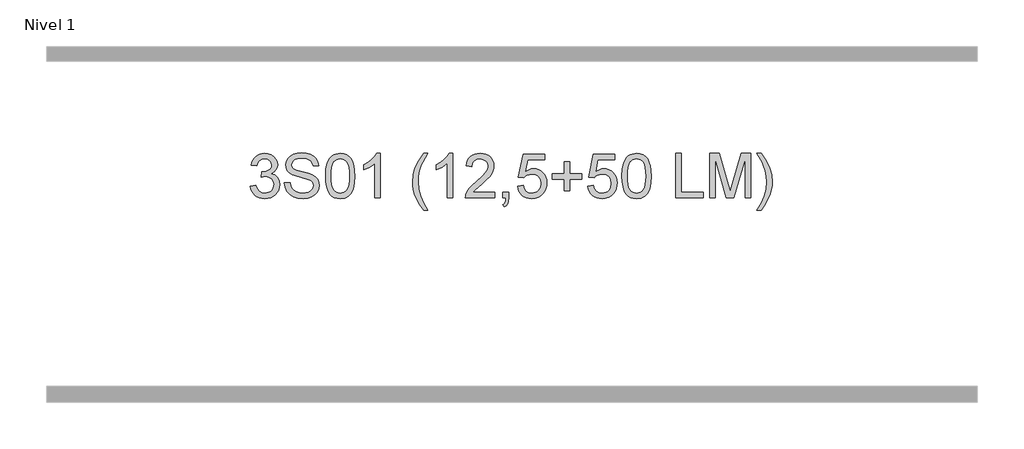
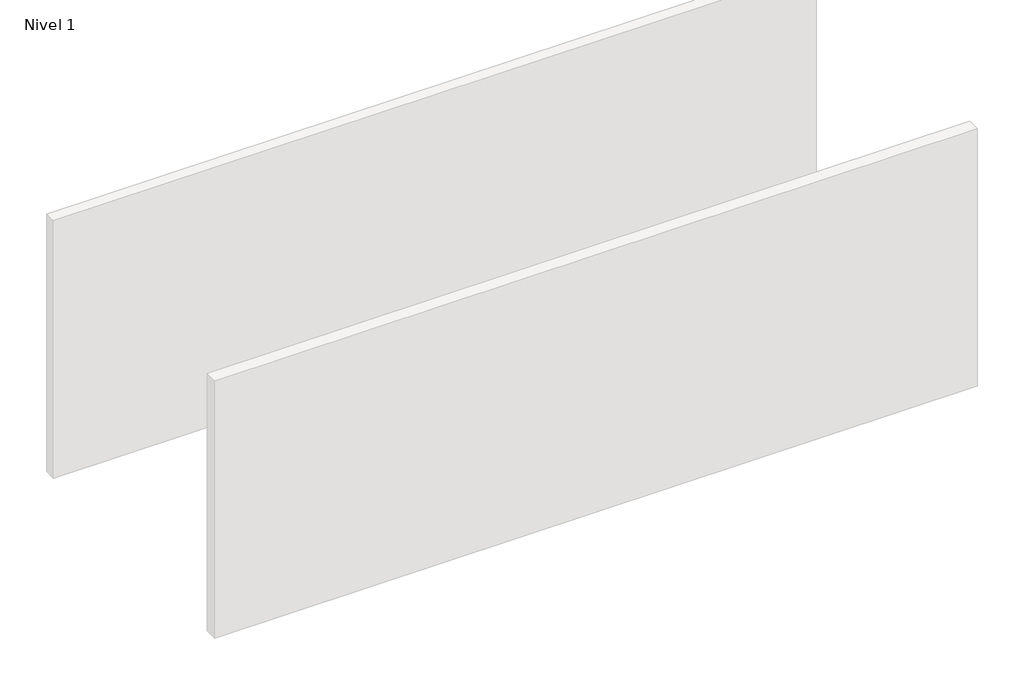
# One storey, part 5 of 13: 1 proxy.
"""IFC4 building model written with IfcOpenShell, lengths in millimetres."""

from ifc_helpers import new_model, si_unit, origin, origin_with_axes, place, context, project, spatial, polyline, outline, extrude, element, save

model = new_model("IFC4")

# Units and contexts
model_context = context("Model", 3, world=origin())
ifc_project = project(units=[si_unit("LENGTHUNIT", "METRE", prefix="MILLI")], contexts=[model_context])

# Site, building, storey
site = spatial("IfcSite", under=ifc_project)
building = spatial("IfcBuilding", under=site)
storey = spatial("IfcBuildingStorey", under=building, Name="Nivel 1", Elevation=0.0)

# Proxy
placement = place(None, origin())
element("IfcBuildingElementProxy", 1, Name="Texto de modelo 1", ObjectType="Texto de modelo 1", at=placement, inside=storey, context=model_context, shape_type="SweptSolid", body=[
    extrude(outline(polyline([(-24338.1412868, -7883.8446235), (-24287.9131318, -7877.5661041), (-24276.6682054, -7909.1303793), (-24260.1993548, -7930.4430095), (-24237.6972394, -7942.5831154), (-24208.3525189, -7946.6298173), (-24173.9187642, -7941.0625364), (-24159.6449428, -7934.1034354), (-24147.3331587, -7924.3606939), (-24130.3370105, -7899.4428201), (-24124.6716278, -7869.2274455), (-24130.2879596, -7840.5449126), (-24147.1369549, -7817.2825078), (-24172.6434399, -7801.8682522), (-24204.2322406, -7796.730167), (-24239.4508103, -7802.2238715), (-24233.8590039, -7751.9957164), (-24225.814651, -7752.5843276), (-24195.7219038, -7748.979084), (-24168.8174672, -7738.1633534), (-24157.7442191, -7729.9841103), (-24149.8347562, -7719.8673555), (-24145.0890785, -7707.8130888), (-24143.5071859, -7693.8213102), (-24148.0934481, -7672.1285352), (-24161.8522348, -7654.5315131), (-24182.8460339, -7642.8696539), (-24209.1373339, -7638.9823675), (-24235.4776847, -7642.9064421), (-24257.0110442, -7654.6786659), (-24272.7318681, -7674.299039), (-24281.6346124, -7701.7675613), (-24331.8627675, -7695.4890419), (-24325.9092105, -7671.5092672), (-24317.0739113, -7650.3867093), (-24305.3568697, -7632.1213683), (-24290.7580859, -7616.713244), (-24273.7374122, -7604.4811677), (-24254.7547013, -7595.7439703), (-24233.809953, -7590.5016519), (-24210.9031674, -7588.7542124), (-24179.3266295, -7592.2000404), (-24150.3252656, -7602.5375245), (-24125.8733756, -7618.8469596), (-24107.9452597, -7640.2086408), (-24096.9455881, -7664.8199463), (-24093.2790309, -7690.8782543), (-24096.7616471, -7715.1584659), (-24107.2094957, -7737.1823347), (-24124.475424, -7755.9443165), (-24148.4122792, -7770.4388671), (-24116.9706313, -7783.1430586), (-24093.6714383, -7804.77452), (-24079.2504641, -7834.1560286), (-24074.4434727, -7870.1103623), (-24076.8469684, -7895.5923218), (-24084.0574555, -7919.0631931), (-24096.074934, -7940.5229762), (-24112.8994039, -7959.971671), (-24133.3965624, -7976.1094278), (-24156.4321067, -7987.636397), (-24182.0060367, -7994.5525785), (-24210.1183525, -7996.8579724), (-24235.5267357, -7994.8898037), (-24258.6787759, -7988.9852977), (-24279.5744732, -7979.1444543), (-24298.2138276, -7965.3672736), (-24313.8426811, -7948.4630959), (-24325.7068754, -7929.2412617), (-24333.8064107, -7907.7017708), (-24338.1412868, -7883.8446235)])), origin_with_axes(), (0.0, 0.0, 1.0), 10.0),
    extrude(outline(polyline([(-24030.493837, -7852.4520265), (-23980.2656819, -7852.4520265), (-23974.5021973, -7880.325219), (-23964.0788741, -7902.7292325), (-23947.81849, -7920.5101956), (-23924.5438224, -7934.5142369), (-23896.0942814, -7943.6009222), (-23864.3092771, -7946.6298173), (-23836.32572, -7944.3366862), (-23811.8247791, -7937.4572929), (-23791.9714141, -7926.5679858), (-23777.9305846, -7912.2451135), (-23769.5796633, -7895.8007883), (-23766.7960229, -7878.5471227), (-23768.8806875, -7861.7349155), (-23775.1346814, -7847.2035767), (-23787.838873, -7834.8059535), (-23809.2741306, -7824.394893), (-23882.4090712, -7805.2159784), (-23930.4176716, -7792.5240495), (-23961.1358182, -7780.4452573), (-23986.1395311, -7763.547211), (-24003.8591806, -7743.0684466), (-24014.4173938, -7719.4504225), (-24017.9367982, -7693.1345972), (-24013.583528, -7663.7163003), (-24000.5237171, -7636.2845662), (-23979.1007223, -7613.0344241), (-23949.6578999, -7596.1609032), (-23914.3167029, -7585.8969956), (-23875.1985841, -7582.475693), (-23832.8185783, -7586.0564111), (-23795.7360732, -7596.7985654), (-23765.275444, -7614.4814266), (-23742.7610658, -7638.8842656), (-23728.5117699, -7668.4865035), (-23722.8463872, -7701.7675613), (-23773.0745422, -7701.7675613), (-23782.2961176, -7671.7974414), (-23790.6593016, -7659.9393785), (-23801.5240832, -7650.1659801), (-23831.5677795, -7637.0693811), (-23873.2365468, -7632.7038481), (-23915.8863328, -7637.0203302), (-23932.1896365, -7642.4159328), (-23945.1452141, -7649.9697764), (-23962.0677859, -7669.0260637), (-23967.7086432, -7691.6630692), (-23963.7109921, -7710.9646112), (-23951.7180391, -7726.4892314), (-23923.3666, -7740.3706453), (-23869.7048796, -7754.5463649), (-23814.3263766, -7768.0108459), (-23780.8245896, -7779.7585443), (-23752.1911077, -7797.9809658), (-23732.2151153, -7820.4708184), (-23720.4796797, -7846.9828475), (-23716.5678678, -7877.2717985), (-23721.0682909, -7908.2351997), (-23734.5695601, -7937.359191), (-23756.5198525, -7962.4242176), (-23786.367345, -7981.2107248), (-23822.260365, -7992.9461605), (-23862.3472397, -7996.8579724), (-23911.557588, -7992.6395922), (-23952.0613956, -7979.9844515), (-23984.3246466, -7958.8434995), (-24008.8133248, -7929.1676853), (-24024.5341487, -7893.0171479), (-24030.493837, -7852.4520265)])), origin_with_axes(), (0.0, 0.0, 1.0), 10.0),
    extrude(outline(polyline([(-23660.0611933, -7792.9041943), (-23656.3701106, -7728.5861588), (-23645.2968626, -7677.2911459), (-23626.9518138, -7638.2343407), (-23615.0937508, -7623.0009605), (-23601.4453288, -7610.6309284), (-23585.9605625, -7601.0598651), (-23568.5934666, -7594.2233914), (-23528.2122863, -7588.7542124), (-23497.2611477, -7591.991574), (-23469.5473708, -7601.7036586), (-23446.3708051, -7617.5103217), (-23429.0313004, -7639.0314184), (-23415.9347013, -7666.0830078), (-23405.4868527, -7698.4811488), (-23398.6442476, -7739.6226186), (-23396.3633792, -7792.9041943), (-23400.0176737, -7856.8543477), (-23410.9805571, -7908.0267333), (-23429.2152414, -7947.1203266), (-23441.0457132, -7962.3996922), (-23454.6849382, -7974.8341036), (-23470.1880986, -7984.4695462), (-23487.6103767, -7991.3520052), (-23528.2122863, -7996.8579724), (-23555.8770123, -7994.4667394), (-23580.4024786, -7987.2930405), (-23601.7886853, -7975.3368757), (-23620.0356323, -7958.5982449), (-23637.5468152, -7928.3399508), (-23650.0548031, -7890.6381776), (-23657.5595958, -7845.4929255), (-23660.0611933, -7792.9041943)]), holes=[polyline([(-23609.8330383, -7792.8060924), (-23608.3615103, -7836.4706195), (-23603.9469263, -7871.8148822), (-23596.5892864, -7898.8388804), (-23586.2885906, -7917.5426142), (-23573.8296537, -7930.2682656), (-23559.9972906, -7939.3580165), (-23544.7915015, -7944.8118671), (-23528.2122863, -7946.6298173), (-23511.633071, -7944.8057357), (-23496.4272819, -7939.3334911), (-23482.5949189, -7930.2130833), (-23470.135982, -7917.4445124), (-23459.8352861, -7898.7101217), (-23452.4776462, -7871.6922549), (-23448.0630622, -7836.3909118), (-23446.5915343, -7792.8060924), (-23448.0140113, -7750.2973278), (-23452.2814425, -7715.5753989), (-23459.3938277, -7688.6403055), (-23469.351167, -7669.4920476), (-23481.6016375, -7656.1440625), (-23495.593416, -7646.6097875), (-23511.3265027, -7640.8892225), (-23528.8008975, -7638.9823675), (-23545.2942736, -7640.6623619), (-23560.2425453, -7645.7023452), (-23573.6457127, -7654.1023175), (-23585.5037756, -7665.8622786), (-23596.147828, -7686.708925), (-23603.7507226, -7714.8151094), (-23608.3124593, -7750.1808319), (-23609.8330383, -7792.8060924)])]), origin_with_axes(), (0.0, 0.0, 1.0), 10.0),
    extrude(outline(polyline([(-23164.058162, -7990.579453), (-23214.286317, -7990.579453), (-23214.286317, -7677.4382987), (-23235.2555908, -7694.3976587), (-23261.8657218, -7711.3324932), (-23314.7426272, -7736.6918254), (-23314.7426272, -7689.2105225), (-23275.2934146, -7667.7507395), (-23241.1171772, -7642.219729), (-23214.1759524, -7615.0700378), (-23196.4317775, -7588.7542124), (-23164.058162, -7588.7542124), (-23164.058162, -7990.579453)])), origin_with_axes(), (0.0, 0.0, 1.0), 10.0),
    extrude(outline(polyline([(-22774.7899601, -8103.5928019), (-22813.7118752, -8048.9745884), (-22846.1100163, -7985.7724616), (-22858.8571274, -7951.7188516), (-22867.9622068, -7917.0521049), (-22873.4252544, -7881.7722216), (-22875.2462703, -7845.8792016), (-22869.8016168, -7783.4618897), (-22853.4676562, -7723.7423792), (-22821.0449897, -7656.101143), (-22774.7899601, -7588.7542124), (-22737.1188438, -7588.7542124), (-22784.1096373, -7668.3148252), (-22800.1492923, -7706.0840434), (-22812.3629746, -7745.4228914), (-22821.8543301, -7795.6755719), (-22825.0181152, -7846.1735072), (-22819.5244108, -7910.565119), (-22803.0432974, -7974.9322055), (-22775.5747751, -8039.2747664), (-22737.1188438, -8103.5928019), (-22774.7899601, -8103.5928019)])), origin_with_axes(), (0.0, 0.0, 1.0), 10.0),
    extrude(outline(polyline([(-22511.092146, -7990.579453), (-22561.3203011, -7990.579453), (-22561.3203011, -7677.4382987), (-22582.2895748, -7694.3976587), (-22608.8997058, -7711.3324932), (-22661.7766112, -7736.6918254), (-22661.7766112, -7689.2105225), (-22622.3273986, -7667.7507395), (-22588.1511613, -7642.219729), (-22561.2099365, -7615.0700378), (-22543.4657616, -7588.7542124), (-22511.092146, -7588.7542124), (-22511.092146, -7990.579453)])), origin_with_axes(), (0.0, 0.0, 1.0), 10.0),
    extrude(outline(polyline([(-22134.3809829, -7940.3512979), (-22134.3809829, -7990.579453), (-22398.0787971, -7990.579453), (-22396.9751511, -7972.8965918), (-22392.6831945, -7955.9494945), (-22380.297834, -7928.8856424), (-22362.1735143, -7902.6311307), (-22335.9557908, -7875.1503456), (-22299.2902186, -7844.4076736), (-22245.088938, -7796.2641831), (-22212.5681696, -7760.7267824), (-22196.3077855, -7731.884834), (-22190.8876574, -7703.8277005), (-22196.0012171, -7678.6768347), (-22211.3418963, -7657.7688747), (-22234.9231322, -7643.6789943), (-22264.758362, -7638.9823675), (-22296.0896453, -7643.5686297), (-22320.4311706, -7657.3274163), (-22336.1397318, -7679.1796068), (-22341.5721226, -7708.0460807), (-22391.8002777, -7701.7675613), (-22387.4807299, -7675.838012), (-22379.6233837, -7653.1826125), (-22368.2282389, -7633.8013627), (-22353.2952955, -7617.6942627), (-22335.1679102, -7605.0329907), (-22314.1894394, -7595.989225), (-22290.3598832, -7590.5629655), (-22263.6792415, -7588.7542124), (-22236.7594765, -7590.7653006), (-22212.8011616, -7596.7985654), (-22191.8042967, -7606.8540066), (-22173.7688819, -7620.9316242), (-22159.2835283, -7637.9890861), (-22148.9368472, -7656.9840598), (-22142.7288385, -7677.9165453), (-22140.6595023, -7700.7865427), (-22142.8913198, -7724.8092369), (-22149.5867721, -7748.4149983), (-22161.4693605, -7772.4254299), (-22179.2625863, -7797.6621347), (-22207.6262882, -7827.7916701), (-22251.2203046, -7866.4805933), (-22309.0023033, -7914.795762), (-22331.6638342, -7940.3512979), (-22134.3809829, -7940.3512979)])), origin_with_axes(), (0.0, 0.0, 1.0), 10.0),
    extrude(outline(polyline([(-22059.0387503, -7990.579453), (-22059.0387503, -7940.3512979), (-22008.8105952, -7940.3512979), (-22008.8105952, -7990.579453), (-22011.0669382, -8019.3110368), (-22017.8359669, -8041.9357795), (-22029.5100888, -8059.287547), (-22046.4817116, -8072.200205), (-22059.0387503, -8053.3646468), (-22048.1494433, -8044.2656988), (-22040.5955996, -8031.6841346), (-22036.0093374, -8014.246528), (-22034.0227746, -7990.579453), (-22059.0387503, -7990.579453)])), origin_with_axes(), (0.0, 0.0, 1.0), 10.0),
    extrude(outline(polyline([(-21927.1898432, -7883.8446235), (-21876.9616882, -7877.5661041), (-21867.7401128, -7907.7201649), (-21851.6514069, -7929.3148381), (-21828.7691468, -7942.3010725), (-21799.1669089, -7946.6298173), (-21780.0370452, -7945.1245668), (-21763.1635243, -7940.6088153), (-21748.5463464, -7933.0825628), (-21736.1855114, -7922.5458094), (-21726.3569307, -7909.519721), (-21719.336516, -7894.5254641), (-21713.7201842, -7858.6324441), (-21718.9808967, -7824.8363514), (-21725.5567874, -7810.9181493), (-21734.7630343, -7798.9865099), (-21746.6302943, -7789.4154467), (-21761.1892243, -7782.5789729), (-21798.382094, -7777.1097939), (-21822.7481448, -7779.2925604), (-21842.4788825, -7785.8408599), (-21858.2364946, -7795.8717757), (-21870.6831688, -7808.5023908), (-21920.9113239, -7802.2238715), (-21876.9616882, -7595.0327318), (-21682.3275873, -7595.0327318), (-21682.3275873, -7645.2608869), (-21836.3475159, -7645.2608869), (-21857.8318244, -7755.919791), (-21840.1060436, -7743.2155994), (-21821.9510672, -7734.1411769), (-21803.366895, -7728.6965234), (-21784.3535273, -7726.8816388), (-21759.8924403, -7729.1318504), (-21737.4240474, -7735.882485), (-21716.9483487, -7747.1335427), (-21698.4653441, -7762.8850234), (-21683.1645188, -7782.1743027), (-21672.2353579, -7804.038756), (-21665.6778613, -7828.4783832), (-21663.4920291, -7855.4931844), (-21665.4601978, -7881.5147042), (-21671.3647038, -7905.7213394), (-21681.2055472, -7928.1130902), (-21694.9827279, -7948.6899565), (-21715.8538998, -7969.7634634), (-21740.2076878, -7984.8159684), (-21768.0440921, -7993.8474714), (-21799.3631127, -7996.8579724), (-21825.2834649, -7994.9235262), (-21848.6960882, -7989.1201877), (-21869.6009826, -7979.447957), (-21887.998148, -7965.9068338), (-21903.3051047, -7949.1712688), (-21914.9393728, -7929.915712), (-21922.9009523, -7908.1401636), (-21927.1898432, -7883.8446235)])), origin_with_axes(), (0.0, 0.0, 1.0), 10.0),
    extrude(outline(polyline([(-21506.5290445, -7927.7942591), (-21506.5290445, -7821.0594296), (-21613.263874, -7821.0594296), (-21613.263874, -7770.8312745), (-21506.5290445, -7770.8312745), (-21506.5290445, -7664.096445), (-21456.3008894, -7664.096445), (-21456.3008894, -7770.8312745), (-21349.5660599, -7770.8312745), (-21349.5660599, -7821.0594296), (-21456.3008894, -7821.0594296), (-21456.3008894, -7927.7942591), (-21506.5290445, -7927.7942591)])), origin_with_axes(), (0.0, 0.0, 1.0), 10.0),
    extrude(outline(polyline([(-21293.0593854, -7883.8446235), (-21242.8312304, -7877.5661041), (-21233.609655, -7907.7201649), (-21217.5209491, -7929.3148381), (-21194.638689, -7942.3010725), (-21165.0364511, -7946.6298173), (-21145.9065874, -7945.1245668), (-21129.0330665, -7940.6088153), (-21114.4158886, -7933.0825628), (-21102.0550535, -7922.5458094), (-21092.2264729, -7909.519721), (-21085.2060582, -7894.5254641), (-21079.5897264, -7858.6324441), (-21084.8504389, -7824.8363514), (-21091.4263296, -7810.9181493), (-21100.6325765, -7798.9865099), (-21112.4998365, -7789.4154467), (-21127.0587665, -7782.5789729), (-21164.2516362, -7777.1097939), (-21188.617687, -7779.2925604), (-21208.3484247, -7785.8408599), (-21224.1060368, -7795.8717757), (-21236.552711, -7808.5023908), (-21286.780866, -7802.2238715), (-21242.8312304, -7595.0327318), (-21048.1971294, -7595.0327318), (-21048.1971294, -7645.2608869), (-21202.2170581, -7645.2608869), (-21223.7013666, -7755.919791), (-21205.9755858, -7743.2155994), (-21187.8206093, -7734.1411769), (-21169.2364372, -7728.6965234), (-21150.2230694, -7726.8816388), (-21125.7619824, -7729.1318504), (-21103.2935896, -7735.882485), (-21082.8178909, -7747.1335427), (-21064.3348863, -7762.8850234), (-21049.034061, -7782.1743027), (-21038.1049, -7804.038756), (-21031.5474035, -7828.4783832), (-21029.3615713, -7855.4931844), (-21031.32974, -7881.5147042), (-21037.234246, -7905.7213394), (-21047.0750894, -7928.1130902), (-21060.8522701, -7948.6899565), (-21081.7234419, -7969.7634634), (-21106.07723, -7984.8159684), (-21133.9136343, -7993.8474714), (-21165.2326548, -7996.8579724), (-21191.1530071, -7994.9235262), (-21214.5656304, -7989.1201877), (-21235.4705248, -7979.447957), (-21253.8676902, -7965.9068338), (-21269.1746469, -7949.1712688), (-21280.808915, -7929.915712), (-21288.7704945, -7908.1401636), (-21293.0593854, -7883.8446235)])), origin_with_axes(), (0.0, 0.0, 1.0), 10.0),
    extrude(outline(polyline([(-20985.4119356, -7792.9041943), (-20981.7208529, -7728.5861588), (-20970.6476049, -7677.2911459), (-20952.302556, -7638.2343407), (-20940.4444931, -7623.0009605), (-20926.796071, -7610.6309284), (-20911.3113047, -7601.0598651), (-20893.9442089, -7594.2233914), (-20853.5630285, -7588.7542124), (-20822.61189, -7591.991574), (-20794.898113, -7601.7036586), (-20771.7215473, -7617.5103217), (-20754.3820426, -7639.0314184), (-20741.2854436, -7666.0830078), (-20730.8375949, -7698.4811488), (-20723.9949898, -7739.6226186), (-20721.7141215, -7792.9041943), (-20725.3684159, -7856.8543477), (-20736.3312994, -7908.0267333), (-20754.5659836, -7947.1203266), (-20766.3964555, -7962.3996922), (-20780.0356804, -7974.8341036), (-20795.5388408, -7984.4695462), (-20812.961119, -7991.3520052), (-20853.5630285, -7996.8579724), (-20881.2277546, -7994.4667394), (-20905.7532209, -7987.2930405), (-20927.1394276, -7975.3368757), (-20945.3863745, -7958.5982449), (-20962.8975575, -7928.3399508), (-20975.4055453, -7890.6381776), (-20982.910338, -7845.4929255), (-20985.4119356, -7792.9041943)]), holes=[polyline([(-20935.1837805, -7792.8060924), (-20933.7122525, -7836.4706195), (-20929.2976686, -7871.8148822), (-20921.9400287, -7898.8388804), (-20911.6393328, -7917.5426142), (-20899.1803959, -7930.2682656), (-20885.3480329, -7939.3580165), (-20870.1422438, -7944.8118671), (-20853.5630285, -7946.6298173), (-20836.9838133, -7944.8057357), (-20821.7780241, -7939.3334911), (-20807.9456611, -7930.2130833), (-20795.4867242, -7917.4445124), (-20785.1860284, -7898.7101217), (-20777.8283885, -7871.6922549), (-20773.4138045, -7836.3909118), (-20771.9422765, -7792.8060924), (-20773.3647536, -7750.2973278), (-20777.6321847, -7715.5753989), (-20784.74457, -7688.6403055), (-20794.7019093, -7669.4920476), (-20806.9523797, -7656.1440625), (-20820.9441583, -7646.6097875), (-20836.6772449, -7640.8892225), (-20854.1516397, -7638.9823675), (-20870.6450158, -7640.6623619), (-20885.5932876, -7645.7023452), (-20898.9964549, -7654.1023175), (-20910.8545179, -7665.8622786), (-20921.4985703, -7686.708925), (-20929.1014649, -7714.8151094), (-20933.6632016, -7750.1808319), (-20935.1837805, -7792.8060924)])]), origin_with_axes(), (0.0, 0.0, 1.0), 10.0),
    extrude(outline(polyline([(-20501.965943, -7990.579453), (-20501.965943, -7588.7542124), (-20451.7377879, -7588.7542124), (-20451.7377879, -7940.3512979), (-20250.8251676, -7940.3512979), (-20250.8251676, -7990.579453), (-20501.965943, -7990.579453)])), origin_with_axes(), (0.0, 0.0, 1.0), 10.0),
    extrude(outline(polyline([(-20194.3184932, -7990.579453), (-20194.3184932, -7588.7542124), (-20107.8907498, -7588.7542124), (-20025.6813866, -7871.9742977), (-20009.1021713, -7931.1297226), (-19991.14953, -7867.0692045), (-19910.3135929, -7588.7542124), (-19823.8858495, -7588.7542124), (-19823.8858495, -7990.579453), (-19874.1140046, -7990.579453), (-19874.1140046, -7638.9823675), (-19975.060824, -7990.579453), (-20043.1435186, -7990.579453), (-20144.0903381, -7638.9823675), (-20144.0903381, -7990.579453), (-20194.3184932, -7990.579453)])), origin_with_axes(), (0.0, 0.0, 1.0), 10.0),
    extrude(outline(polyline([(-19729.7080587, -8103.5928019), (-19767.379175, -8103.5928019), (-19728.9232438, -8039.2747664), (-19701.4547215, -7974.9322055), (-19684.9736081, -7910.565119), (-19679.4799037, -7846.1735072), (-19682.6436888, -7796.0434539), (-19692.1350443, -7746.3058082), (-19704.1279973, -7706.8933838), (-19720.0940759, -7669.0996401), (-19767.379175, -7588.7542124), (-19729.7080587, -7588.7542124), (-19683.4530292, -7656.101143), (-19651.0303627, -7723.7423792), (-19634.6964021, -7783.4618897), (-19629.2517486, -7845.8792016), (-19631.0819615, -7881.7722216), (-19636.5726003, -7917.0521049), (-19645.7236649, -7951.7188516), (-19658.5351554, -7985.7724616), (-19690.9700846, -8048.9745884), (-19729.7080587, -8103.5928019)])), origin_with_axes(), (0.0, 0.0, 1.0), 10.0),
])

save(model, "model.ifc")
